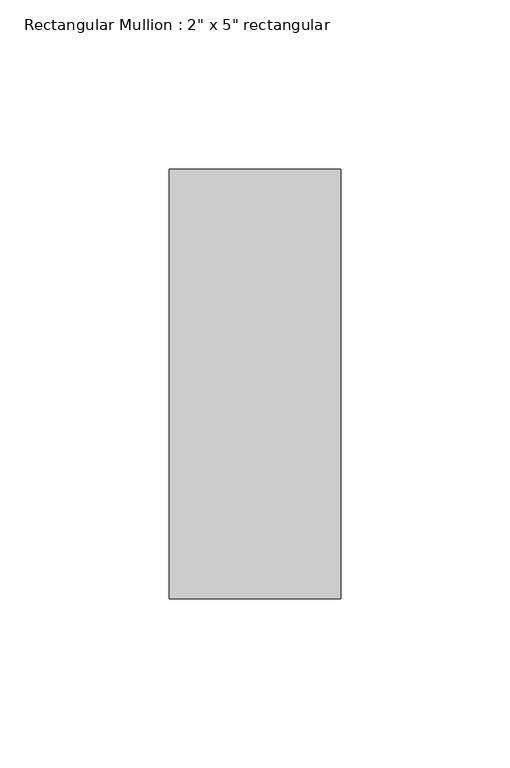
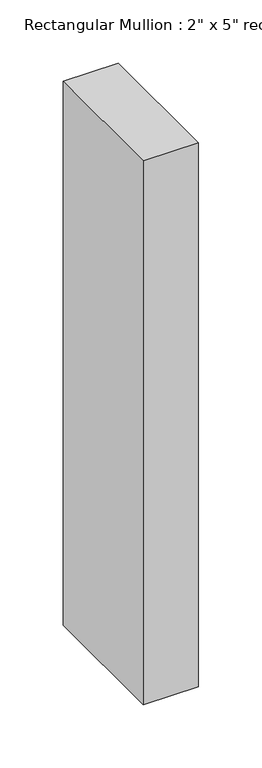
"""IFC4 building model written with IfcOpenShell, lengths in millimetres: member geometry."""

from ifc_helpers import new_model, si_unit, frame, origin, place, context, project, spatial, polyline, outline, extrude, source, transform, mapped, element, save


def member_5508eb95(model_context):
    return source(origin(), model_context, "Body", "SweptSolid", [
        extrude(outline(polyline([(0.0, 63.5), (0.0, -63.5), (-50.8, -63.5), (-50.8, 63.5), (0.0, 63.5)])), frame((0.0, 0.0, -527.05), z_axis=(0.0, 0.0, 1.0), x_axis=(1.0, 0.0, 0.0)), (0.0, 0.0, 1.0), 527.05),
    ])


if __name__ == "__main__":
    model = new_model("IFC4")
    model_context = context("Model", 3, world=origin())
    ifc_project = project(units=[si_unit("LENGTHUNIT", "METRE", prefix="MILLI")], contexts=[model_context])
    site = spatial("IfcSite", under=ifc_project)
    building = spatial("IfcBuilding", under=site)
    placement = place(None, origin())
    member_shape = member_5508eb95(model_context)
    element("IfcMember", 1, ObjectType="Rectangular Mullion : 2\" x 5\" rectangular", at=placement, inside=building, context=model_context, shape_type="MappedRepresentation", body=[
        mapped(member_shape, transform((0.0, 0.0, 0.0), x_axis=(1.0, 0.0, 0.0), y_axis=(0.0, 1.0, 0.0), z_axis=(0.0, 0.0, 1.0))),
    ])
    save(model, "model.ifc")
